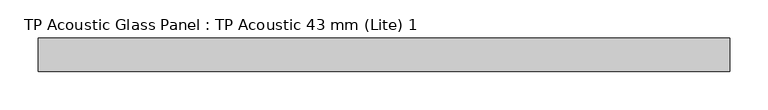
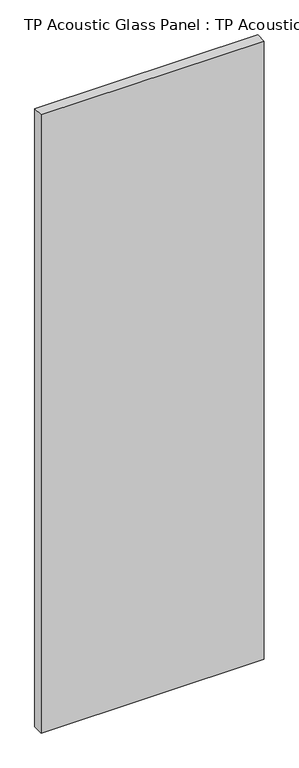
"""IFC4 building model written with IfcOpenShell, lengths in millimetres: plate geometry, TP Acoustic Glass Panel : TP Acoustic 43 mm (Lite) 1."""

from ifc_helpers import new_model, si_unit, origin, origin_with_axes, place, context, project, spatial, polyline, outline, extrude, source, transform, mapped, element, save


def tp_acoustic_glass_panel_tp_acoustic_43_mm_lite_1_5f72a993(model_context):
    return source(origin(), model_context, "Body", "SweptSolid", [
        extrude(outline(polyline([(449.0, 21.5), (449.0, -21.5), (-449.0, -21.5), (-449.0, 21.5), (449.0, 21.5)])), origin_with_axes(), (0.0, 0.0, 1.0), 2628.0),
    ])


if __name__ == "__main__":
    model = new_model("IFC4")
    model_context = context("Model", 3, world=origin())
    ifc_project = project(units=[si_unit("LENGTHUNIT", "METRE", prefix="MILLI")], contexts=[model_context])
    site = spatial("IfcSite", under=ifc_project)
    building = spatial("IfcBuilding", under=site)
    placement = place(None, origin())
    tp_acoustic_glass_panel_tp_acoustic_43_mm_lite_1_shape = tp_acoustic_glass_panel_tp_acoustic_43_mm_lite_1_5f72a993(model_context)
    element("IfcPlate", 1, ObjectType="TP Acoustic Glass Panel : TP Acoustic 43 mm (Lite) 1", at=placement, inside=building, context=model_context, shape_type="MappedRepresentation", body=[
        mapped(tp_acoustic_glass_panel_tp_acoustic_43_mm_lite_1_shape, transform((0.0, 0.0, 0.0), x_axis=(1.0, 0.0, 0.0), y_axis=(0.0, 1.0, 0.0), z_axis=(0.0, 0.0, 1.0))),
    ])
    save(model, "model.ifc")
